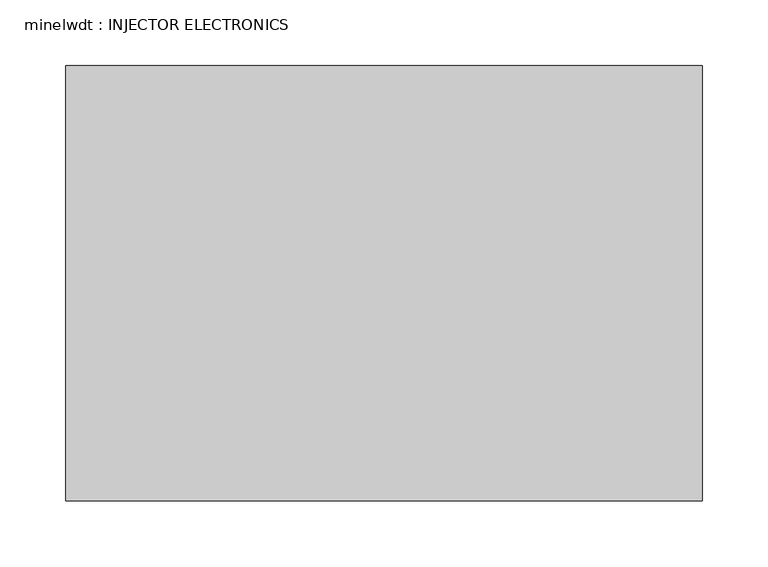
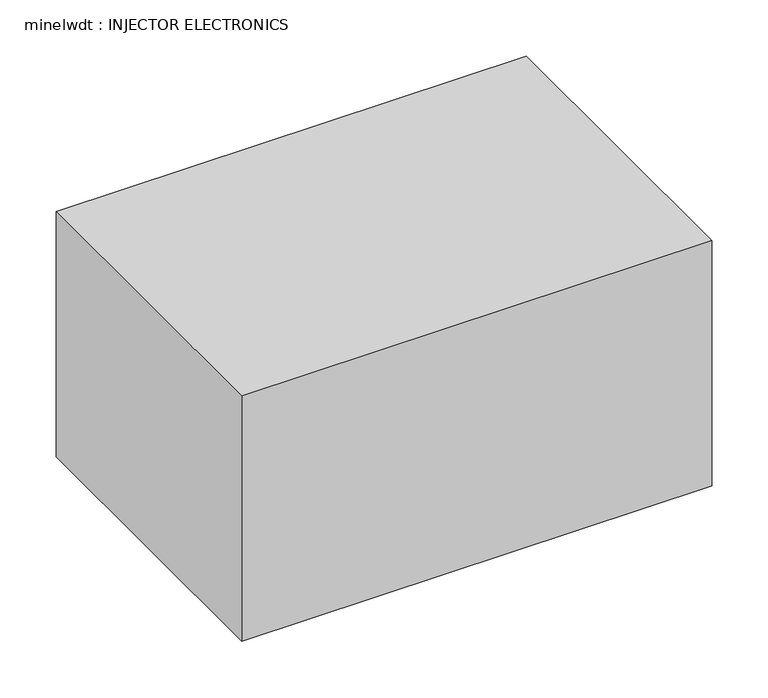
"""IFC4 building model written with IfcOpenShell, lengths in millimetres: proxy geometry, minelwdt : INJECTOR ELECTRONICS."""

from ifc_helpers import new_model, si_unit, frame, origin, place, context, project, spatial, polyline, outline, extrude, source, transform, mapped, element, save


def minelwdt_injector_electronics_f23368df(model_context):
    return source(origin(), model_context, "Body", "SweptSolid", [
        extrude(outline(polyline([(454.4545638, -77.3329439), (-28.1454362, -77.3329439), (-28.1454362, 252.8670561), (454.4545638, 252.8670561), (454.4545638, -77.3329439)])), frame((0.0, 0.0, 1866.9), z_axis=(0.0, 0.0, 1.0), x_axis=(1.0, 0.0, 0.0)), (0.0, 0.0, 1.0), 266.7),
    ])


if __name__ == "__main__":
    model = new_model("IFC4")
    model_context = context("Model", 3, world=origin())
    ifc_project = project(units=[si_unit("LENGTHUNIT", "METRE", prefix="MILLI")], contexts=[model_context])
    site = spatial("IfcSite", under=ifc_project)
    building = spatial("IfcBuilding", under=site)
    placement = place(None, origin())
    minelwdt_injector_electronics_shape = minelwdt_injector_electronics_f23368df(model_context)
    element("IfcBuildingElementProxy", 1, Name="minelwdt : INJECTOR ELECTRONICS", ObjectType="minelwdt : INJECTOR ELECTRONICS", at=placement, inside=building, context=model_context, shape_type="MappedRepresentation", body=[
        mapped(minelwdt_injector_electronics_shape, transform((0.0, 0.0, 0.0), x_axis=(1.0, 0.0, 0.0), y_axis=(0.0, 1.0, 0.0), z_axis=(0.0, 0.0, 1.0))),
    ])
    save(model, "model.ifc")
